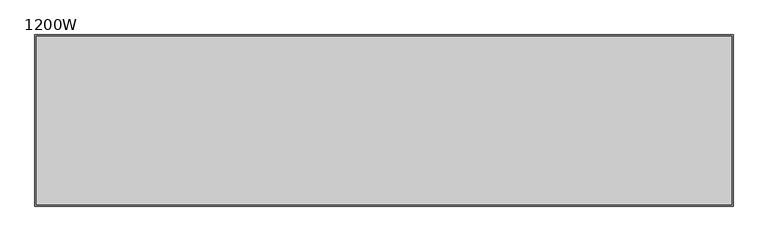
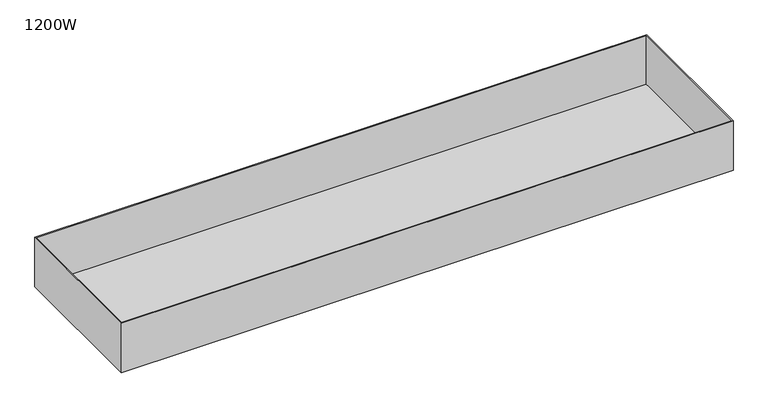
"""IFC4 building model written with IfcOpenShell, lengths in millimetres: furniture geometry, 1200W."""

import ifcopenshell
import ifcopenshell.guid

model = None  # the IFC model being written
_history = None  # IfcOwnerHistory: only IFC2X3 demands one
_inside = {}  # id of a spatial element -> (the spatial element, [elements in it])
_under = {}  # id of a project, library or spatial element -> (it, [spatial elements below it])
_declared = {}  # id of a project -> (the project, [libraries it declares])
_typed = {}  # id of a type object -> (the type object, [elements of that type])
_made_of = {}  # id of a material, layer set ... -> (it, [elements and type objects made of it])


def new_model(schema):
    """Start an empty IFC model of exactly this schema.

    Asked for "IFC4X3", IfcOpenShell would pick the latest addendum, in which some entities
    have other attributes; the version numbers below select the first issue.
    IFC2X3 requires an IfcOwnerHistory on every rooted entity: one is made here for all.
    """
    global model, _history
    if schema == "IFC4X3":
        model = ifcopenshell.file(schema_version=(4, 3, 0, 0))
    else:
        model = ifcopenshell.file(schema=schema)
    _inside.clear()
    _under.clear()
    _declared.clear()
    _typed.clear()
    _made_of.clear()
    _history = None
    if model.schema == "IFC2X3":
        org = make("IfcOrganization", Name="unknown")
        user = make(
            "IfcPersonAndOrganization",
            ThePerson=make("IfcPerson", FamilyName="unknown"),
            TheOrganization=org,
        )
        app = make(
            "IfcApplication",
            ApplicationDeveloper=org,
            Version="unknown",
            ApplicationFullName="unknown",
            ApplicationIdentifier="unknown",
        )
        _history = make(
            "IfcOwnerHistory",
            OwningUser=user,
            OwningApplication=app,
            ChangeAction="ADDED",
            CreationDate=0,
        )
    return model


def make(cls, **values):
    """One entity of the class cls with the attributes given. An attribute that is None is left unset."""
    return model.create_entity(
        cls, **{name: value for name, value in values.items() if value is not None}
    )


def rooted(cls, **values):
    """An entity with a GlobalId (a new one), such as an element, a storey or a relation."""
    return make(cls, GlobalId=ifcopenshell.guid.new(), OwnerHistory=_history, **values)


def si_unit(unit_type, name, prefix=None):
    """IfcSIUnit, for example si_unit("LENGTHUNIT", "METRE", prefix="MILLI")."""
    return make("IfcSIUnit", UnitType=unit_type, Prefix=prefix, Name=name)


def assignment(units):
    """IfcUnitAssignment: the units of a project."""
    return None if units is None else make("IfcUnitAssignment", Units=units)


def point(xyz):
    """IfcCartesianPoint."""
    return None if xyz is None else make("IfcCartesianPoint", Coordinates=xyz)


def direction(xyz):
    """IfcDirection."""
    return None if xyz is None else make("IfcDirection", DirectionRatios=xyz)


def frame(location, z_axis=None, x_axis=None):
    """IfcAxis2Placement3D, a coordinate frame: its origin and axes. An axis left out is left unset."""
    return make(
        "IfcAxis2Placement3D",
        Location=point(location),
        Axis=direction(z_axis),
        RefDirection=direction(x_axis),
    )


def origin():
    """The frame at (0, 0, 0) with its axes left unset."""
    return frame((0.0, 0.0, 0.0))


def place(relative_to, where):
    """IfcLocalPlacement: puts the frame where relative to a parent placement (None: the world)."""
    return make(
        "IfcLocalPlacement", PlacementRelTo=relative_to, RelativePlacement=where
    )


def context(
    kind, dimensions, precision=None, world=None, true_north=None, identifier=None
):
    """IfcGeometricRepresentationContext, for example the 3D "Model" context."""
    return make(
        "IfcGeometricRepresentationContext",
        ContextIdentifier=identifier,
        ContextType=kind,
        CoordinateSpaceDimension=dimensions,
        Precision=precision,
        WorldCoordinateSystem=world,
        TrueNorth=true_north,
    )


def project(units=None, contexts=None):
    """IfcProject with its units and contexts."""
    return rooted(
        "IfcProject",
        Name="project",
        RepresentationContexts=contexts,
        UnitsInContext=assignment(units),
    )


def spatial(cls, under=None, at=None, **own):
    """A site, building, storey or space (cls), placed at a placement, below another one or the project."""
    s = rooted(cls, ObjectPlacement=at, **own)
    if under is not None:
        _under.setdefault(under.id(), (under, []))[1].append(s)
    return s


def faces_of(points, faces, orient=None, outer=None):
    """IfcFace entities. A face is a list of loops; a loop is a list of indices into points, from 0.

    orient and outer hold one flag for each loop. By default every Orientation is true, the
    first loop of a face is its IfcFaceOuterBound and the others are IfcFaceBound.
    """
    made = []
    for i, loops in enumerate(faces):
        bounds = []
        for j, loop in enumerate(loops):
            is_outer = j == 0 if outer is None else outer[i][j]
            bounds.append(
                make(
                    "IfcFaceOuterBound" if is_outer else "IfcFaceBound",
                    Bound=make("IfcPolyLoop", Polygon=[points[k] for k in loop]),
                    Orientation=True if orient is None else orient[i][j],
                )
            )
        made.append(make("IfcFace", Bounds=bounds))
    return made


def faceted_brep(points, faces, orient=None, outer=None, voids=None):
    """IfcFacetedBrep: a solid bounded by flat faces; with voids (closed shells), ...WithVoids."""
    shared = [point(p) for p in points]
    hull = make("IfcClosedShell", CfsFaces=faces_of(shared, faces, orient, outer))
    if voids is None:
        return make("IfcFacetedBrep", Outer=hull)
    return make(
        "IfcFacetedBrepWithVoids",
        Outer=hull,
        Voids=[
            make(cls, CfsFaces=faces_of(shared, fs, o, b)) for cls, fs, o, b in voids
        ],
    )


def shape(context_of_items, identifier, shape_type, items):
    """IfcShapeRepresentation: the items that make up one representation, for example the "Body"."""
    return make(
        "IfcShapeRepresentation",
        ContextOfItems=context_of_items,
        RepresentationIdentifier=identifier,
        RepresentationType=shape_type,
        Items=items,
    )


def source(mapping_origin, context_of_items, identifier, shape_type, items):
    """IfcRepresentationMap: a shape defined once, which mapped items show again and again."""
    return make(
        "IfcRepresentationMap",
        MappingOrigin=mapping_origin,
        MappedRepresentation=shape(context_of_items, identifier, shape_type, items),
    )


def transform(
    local_origin,
    x_axis=None,
    y_axis=None,
    z_axis=None,
    scale=None,
    scale2=None,
    scale3=None,
    uniform=True,
):
    """IfcCartesianTransformationOperator3D, or its non-uniform kind. x_axis, y_axis, z_axis: its Axis1, 2, 3."""
    if uniform:
        return make(
            "IfcCartesianTransformationOperator3D",
            Axis1=direction(x_axis),
            Axis2=direction(y_axis),
            LocalOrigin=point(local_origin),
            Scale=scale,
            Axis3=direction(z_axis),
        )
    return make(
        "IfcCartesianTransformationOperator3DnonUniform",
        Axis1=direction(x_axis),
        Axis2=direction(y_axis),
        LocalOrigin=point(local_origin),
        Scale=scale,
        Axis3=direction(z_axis),
        Scale2=scale2,
        Scale3=scale3,
    )


def mapped(mapping_source, mapping_target):
    """IfcMappedItem: shows the shape of a source again, moved by a transform."""
    return make(
        "IfcMappedItem", MappingSource=mapping_source, MappingTarget=mapping_target
    )


def made_of(thing, what):
    """Note that an element or type object is made of a material, layer set ...; save() writes the relation."""
    if what is not None:
        _made_of.setdefault(what.id(), (what, []))[1].append(thing)
    return thing


def element(
    cls,
    number,
    at=None,
    inside=None,
    cuts=None,
    type_object=None,
    material=None,
    context=None,
    identifier="Body",
    shape_type=None,
    held_by="IfcProductDefinitionShape",
    body=None,
    shapes=None,
    **own,
):
    """One element of the class cls, such as IfcWall. Its Tag is "e" and its number.

    at: its placement. inside: the storey or other place that contains it. cuts: it is an
    opening in that element (IfcRelVoidsElement). A single representation is given by context,
    identifier, shape_type and body (its items); several are given by shapes. held_by: the class
    of the entity that holds the representations. save() writes the other relations.
    """
    e = rooted(cls, Tag="e%d" % number, ObjectPlacement=at, **own)
    if body is not None:
        shapes = [shape(context, identifier, shape_type, body)]
    if shapes is not None:
        e.Representation = make(held_by, Representations=shapes)
    if inside is not None:
        _inside.setdefault(inside.id(), (inside, []))[1].append(e)
    if cuts is not None:
        rooted(
            "IfcRelVoidsElement", RelatingBuildingElement=cuts, RelatedOpeningElement=e
        )
    if type_object is not None:
        _typed.setdefault(type_object.id(), (type_object, []))[1].append(e)
    return made_of(e, material)


def aggregate(whole, parts):
    """IfcRelAggregates: a whole, such as a stair, and the parts it consists of."""
    return rooted("IfcRelAggregates", RelatingObject=whole, RelatedObjects=parts)


def save(model, path):
    """Write the relations noted so far, then the file.

    IfcRelAggregates (storeys below a building ...), IfcRelContainedInSpatialStructure (elements
    in a storey), IfcRelDefinesByType, IfcRelAssociatesMaterial and IfcRelDeclares: one each for
    every whole, place, type object, material and project.
    """
    for whole, parts in _under.values():
        aggregate(whole, parts)
    for where, things in _inside.values():
        rooted(
            "IfcRelContainedInSpatialStructure",
            RelatedElements=things,
            RelatingStructure=where,
        )
    for kind, things in _typed.values():
        rooted("IfcRelDefinesByType", RelatedObjects=things, RelatingType=kind)
    for what, things in _made_of.values():
        rooted("IfcRelAssociatesMaterial", RelatedObjects=things, RelatingMaterial=what)
    for by, libraries in _declared.values():
        rooted("IfcRelDeclares", RelatingContext=by, RelatedDefinitions=libraries)
    model.write(path)


def furniture_1200w_30379cd4(model_context):
    return source(origin(), model_context, "Body", "Brep", [
        faceted_brep([(-510.0, 125.0, 435.0), (-510.0, -125.0, 435.0), (-510.0, -125.0, 522.0), (-510.0, 125.0, 522.0), (510.0, 125.0, 435.0), (510.0, 125.0, 522.0), (510.0, -125.0, 522.0), (510.0, -125.0, 435.0), (-508.0, -123.0, 522.0), (-508.0, 123.0, 522.0), (508.0, 123.0, 522.0), (508.0, -123.0, 522.0), (508.0, -123.0, 437.0), (508.0, 123.0, 437.0), (-508.0, 123.0, 437.0), (-508.0, -123.0, 437.0)], [[[0, 1, 2, 3]], [[4, 5, 6, 7]], [[3, 5, 4, 0]], [[2, 6, 5, 3], [8, 9, 10, 11]], [[1, 7, 6, 2]], [[0, 4, 7, 1]], [[12, 13, 14, 15]], [[15, 8, 11, 12]], [[14, 9, 8, 15]], [[13, 10, 9, 14]], [[12, 11, 10, 13]]]),
    ])


if __name__ == "__main__":
    model = new_model("IFC4")
    model_context = context("Model", 3, world=origin())
    ifc_project = project(units=[si_unit("LENGTHUNIT", "METRE", prefix="MILLI")], contexts=[model_context])
    site = spatial("IfcSite", under=ifc_project)
    building = spatial("IfcBuilding", under=site)
    placement = place(None, origin())
    furniture_1200w_shape = furniture_1200w_30379cd4(model_context)
    element("IfcFurniture", 1, ObjectType="1200W", at=placement, inside=building, context=model_context, shape_type="MappedRepresentation", body=[
        mapped(furniture_1200w_shape, transform((0.0, 0.0, 0.0), x_axis=(1.0, 0.0, 0.0), y_axis=(0.0, 1.0, 0.0), z_axis=(0.0, 0.0, 1.0))),
    ])
    save(model, "model.ifc")
